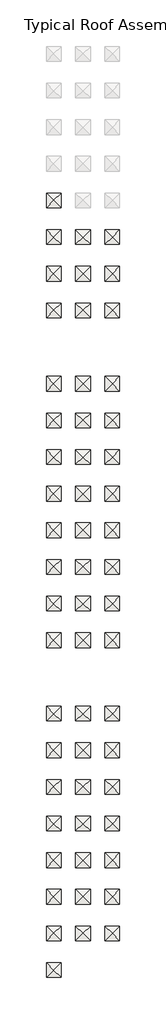
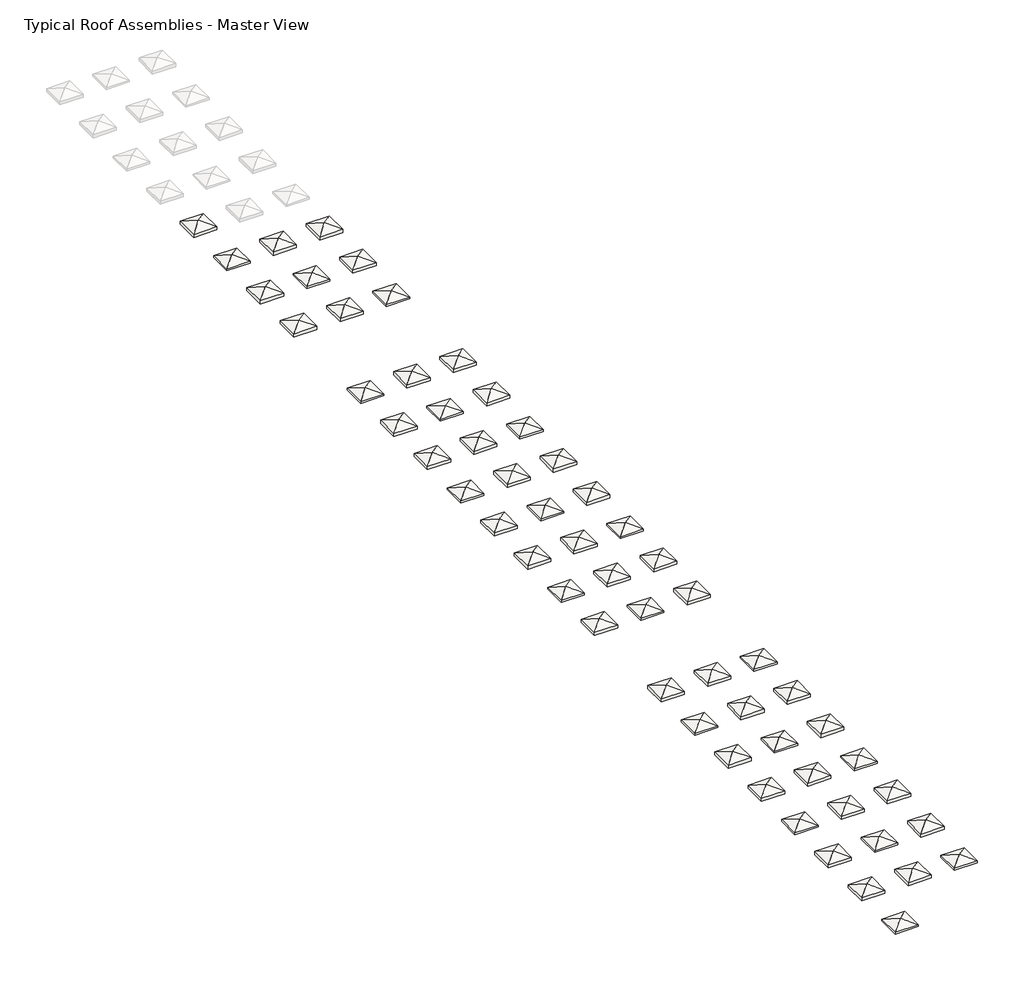
# One storey, part 1 of 6: 56 roofs.
"""IFC4 building model written with IfcOpenShell, lengths in millimetres."""

from ifc_helpers import new_model, si_unit, origin, place, context, project, spatial, faceted_brep, element, save

model = new_model("IFC4")

# Units and contexts
model_context = context("Model", 3, world=origin())
ifc_project = project(units=[si_unit("LENGTHUNIT", "METRE", prefix="MILLI")], contexts=[model_context])

# Site, building, storey
site = spatial("IfcSite", under=ifc_project)
building = spatial("IfcBuilding", under=site)
storey = spatial("IfcBuildingStorey", under=building, Name="Typical Roof Assemblies - Master View", Elevation=3048.0)

# Roofs
placement = place(None, origin())
element("IfcRoof", 1, at=placement, inside=storey, context=model_context, shape_type="Brep", body=[
    faceted_brep([(-18002.7271293, -91644.4766531, 3556.0), (-16478.7271293, -90120.4766531, 3048.0), (-16478.7271293, -93168.4766531, 3048.0), (-19526.7271293, -90120.4766531, 3048.0), (-19526.7271293, -93168.4766531, 3048.0), (-16478.7271293, -90120.4766531, 3479.7299585), (-18002.7271293, -91644.4766531, 3987.7299585), (-16478.7271293, -93168.4766531, 3479.7299585), (-19526.7271293, -90120.4766531, 3479.7299585), (-19526.7271293, -93168.4766531, 3479.7299585)], [[[0, 1, 2]], [[3, 0, 4]], [[1, 0, 3]], [[4, 0, 2]], [[5, 6, 7]], [[8, 9, 6]], [[5, 8, 6]], [[9, 7, 6]], [[3, 8, 5, 1]], [[4, 9, 8, 3]], [[2, 7, 9, 4]], [[1, 5, 7, 2]]]),
])
element("IfcRoof", 2, at=placement, inside=storey, context=model_context, shape_type="Brep", body=[
    faceted_brep([(-18002.7271293, -99264.4766531, 3556.0), (-16478.7271293, -97740.4766531, 3048.0), (-16478.7271293, -100788.4766531, 3048.0), (-19526.7271293, -97740.4766531, 3048.0), (-19526.7271293, -100788.4766531, 3048.0), (-16478.7271293, -97740.4766531, 3304.0928432), (-18002.7271293, -99264.4766531, 3812.0928432), (-16478.7271293, -100788.4766531, 3304.0928432), (-19526.7271293, -97740.4766531, 3304.0928432), (-19526.7271293, -100788.4766531, 3304.0928432)], [[[0, 1, 2]], [[3, 0, 4]], [[1, 0, 3]], [[4, 0, 2]], [[5, 6, 7]], [[8, 9, 6]], [[5, 8, 6]], [[9, 7, 6]], [[3, 8, 5, 1]], [[4, 9, 8, 3]], [[2, 7, 9, 4]], [[1, 5, 7, 2]]]),
])
element("IfcRoof", 3, at=placement, inside=storey, context=model_context, shape_type="Brep", body=[
    faceted_brep([(-11906.7271293, -99264.4766531, 3556.0), (-10382.7271293, -97740.4766531, 3048.0), (-10382.7271293, -100788.4766531, 3048.0), (-13430.7271293, -97740.4766531, 3048.0), (-13430.7271293, -100788.4766531, 3048.0), (-10382.7271293, -97740.4766531, 3479.7299585), (-11906.7271293, -99264.4766531, 3987.7299585), (-10382.7271293, -100788.4766531, 3479.7299585), (-13430.7271293, -97740.4766531, 3479.7299585), (-13430.7271293, -100788.4766531, 3479.7299585)], [[[0, 1, 2]], [[3, 0, 4]], [[1, 0, 3]], [[4, 0, 2]], [[5, 6, 7]], [[8, 9, 6]], [[5, 8, 6]], [[9, 7, 6]], [[3, 8, 5, 1]], [[4, 9, 8, 3]], [[2, 7, 9, 4]], [[1, 5, 7, 2]]]),
])
element("IfcRoof", 4, at=placement, inside=storey, context=model_context, shape_type="Brep", body=[
    faceted_brep([(-5810.7271293, -99264.4766531, 3556.0), (-4286.7271293, -97740.4766531, 3048.0), (-4286.7271293, -100788.4766531, 3048.0), (-7334.7271293, -97740.4766531, 3048.0), (-7334.7271293, -100788.4766531, 3048.0), (-4286.7271293, -97740.4766531, 3476.3832082), (-5810.7271293, -99264.4766531, 3984.3832082), (-4286.7271293, -100788.4766531, 3476.3832082), (-7334.7271293, -97740.4766531, 3476.3832082), (-7334.7271293, -100788.4766531, 3476.3832082)], [[[0, 1, 2]], [[3, 0, 4]], [[1, 0, 3]], [[4, 0, 2]], [[5, 6, 7]], [[8, 9, 6]], [[5, 8, 6]], [[9, 7, 6]], [[3, 8, 5, 1]], [[4, 9, 8, 3]], [[2, 7, 9, 4]], [[1, 5, 7, 2]]]),
])
element("IfcRoof", 5, at=placement, inside=storey, context=model_context, shape_type="Brep", body=[
    faceted_brep([(-18002.7271293, -106884.4766531, 3556.0), (-16478.7271293, -105360.4766531, 3048.0), (-16478.7271293, -108408.4766531, 3048.0), (-19526.7271293, -105360.4766531, 3048.0), (-19526.7271293, -108408.4766531, 3048.0), (-16478.7271293, -105360.4766531, 3474.7767703), (-18002.7271293, -106884.4766531, 3982.7767703), (-16478.7271293, -108408.4766531, 3474.7767703), (-19526.7271293, -105360.4766531, 3474.7767703), (-19526.7271293, -108408.4766531, 3474.7767703)], [[[0, 1, 2]], [[3, 0, 4]], [[1, 0, 3]], [[4, 0, 2]], [[5, 6, 7]], [[8, 9, 6]], [[5, 8, 6]], [[9, 7, 6]], [[3, 8, 5, 1]], [[4, 9, 8, 3]], [[2, 7, 9, 4]], [[1, 5, 7, 2]]]),
])
element("IfcRoof", 6, at=placement, inside=storey, context=model_context, shape_type="Brep", body=[
    faceted_brep([(-11906.7271293, -106884.4766531, 3556.0), (-10382.7271293, -105360.4766531, 3048.0), (-10382.7271293, -108408.4766531, 3048.0), (-13430.7271293, -105360.4766531, 3048.0), (-13430.7271293, -108408.4766531, 3048.0), (-10382.7271293, -105360.4766531, 3304.0928432), (-11906.7271293, -106884.4766531, 3812.0928432), (-10382.7271293, -108408.4766531, 3304.0928432), (-13430.7271293, -105360.4766531, 3304.0928432), (-13430.7271293, -108408.4766531, 3304.0928432)], [[[0, 1, 2]], [[3, 0, 4]], [[1, 0, 3]], [[4, 0, 2]], [[5, 6, 7]], [[8, 9, 6]], [[5, 8, 6]], [[9, 7, 6]], [[3, 8, 5, 1]], [[4, 9, 8, 3]], [[2, 7, 9, 4]], [[1, 5, 7, 2]]]),
])
element("IfcRoof", 7, at=placement, inside=storey, context=model_context, shape_type="Brep", body=[
    faceted_brep([(-5810.7271293, -106884.4766531, 3556.0), (-4286.7271293, -105360.4766531, 3048.0), (-4286.7271293, -108408.4766531, 3048.0), (-7334.7271293, -105360.4766531, 3048.0), (-7334.7271293, -108408.4766531, 3048.0), (-4286.7271293, -105360.4766531, 3479.7299585), (-5810.7271293, -106884.4766531, 3987.7299585), (-4286.7271293, -108408.4766531, 3479.7299585), (-7334.7271293, -105360.4766531, 3479.7299585), (-7334.7271293, -108408.4766531, 3479.7299585)], [[[0, 1, 2]], [[3, 0, 4]], [[1, 0, 3]], [[4, 0, 2]], [[5, 6, 7]], [[8, 9, 6]], [[5, 8, 6]], [[9, 7, 6]], [[3, 8, 5, 1]], [[4, 9, 8, 3]], [[2, 7, 9, 4]], [[1, 5, 7, 2]]]),
])
element("IfcRoof", 8, at=placement, inside=storey, context=model_context, shape_type="Brep", body=[
    faceted_brep([(-18002.7271293, -114504.4766531, 3556.0), (-16478.7271293, -112980.4766531, 3048.0), (-16478.7271293, -116028.4766531, 3048.0), (-19526.7271293, -112980.4766531, 3048.0), (-19526.7271293, -116028.4766531, 3048.0), (-16478.7271293, -112980.4766531, 3478.1235205), (-18002.7271293, -114504.4766531, 3986.1235205), (-16478.7271293, -116028.4766531, 3478.1235205), (-19526.7271293, -112980.4766531, 3478.1235205), (-19526.7271293, -116028.4766531, 3478.1235205)], [[[0, 1, 2]], [[3, 0, 4]], [[1, 0, 3]], [[4, 0, 2]], [[5, 6, 7]], [[8, 9, 6]], [[5, 8, 6]], [[9, 7, 6]], [[3, 8, 5, 1]], [[4, 9, 8, 3]], [[2, 7, 9, 4]], [[1, 5, 7, 2]]]),
])
element("IfcRoof", 9, at=placement, inside=storey, context=model_context, shape_type="Brep", body=[
    faceted_brep([(-11906.7271293, -114504.4766531, 3556.0), (-10382.7271293, -112980.4766531, 3048.0), (-10382.7271293, -116028.4766531, 3048.0), (-13430.7271293, -112980.4766531, 3048.0), (-13430.7271293, -116028.4766531, 3048.0), (-10382.7271293, -112980.4766531, 3474.7767703), (-11906.7271293, -114504.4766531, 3982.7767703), (-10382.7271293, -116028.4766531, 3474.7767703), (-13430.7271293, -112980.4766531, 3474.7767703), (-13430.7271293, -116028.4766531, 3474.7767703)], [[[0, 1, 2]], [[3, 0, 4]], [[1, 0, 3]], [[4, 0, 2]], [[5, 6, 7]], [[8, 9, 6]], [[5, 8, 6]], [[9, 7, 6]], [[3, 8, 5, 1]], [[4, 9, 8, 3]], [[2, 7, 9, 4]], [[1, 5, 7, 2]]]),
])
element("IfcRoof", 10, at=placement, inside=storey, context=model_context, shape_type="Brep", body=[
    faceted_brep([(-5810.7271293, -114504.4766531, 3556.0), (-4286.7271293, -112980.4766531, 3048.0), (-4286.7271293, -116028.4766531, 3048.0), (-7334.7271293, -112980.4766531, 3048.0), (-7334.7271293, -116028.4766531, 3048.0), (-4286.7271293, -112980.4766531, 3304.0928432), (-5810.7271293, -114504.4766531, 3812.0928432), (-4286.7271293, -116028.4766531, 3304.0928432), (-7334.7271293, -112980.4766531, 3304.0928432), (-7334.7271293, -116028.4766531, 3304.0928432)], [[[0, 1, 2]], [[3, 0, 4]], [[1, 0, 3]], [[4, 0, 2]], [[5, 6, 7]], [[8, 9, 6]], [[5, 8, 6]], [[9, 7, 6]], [[3, 8, 5, 1]], [[4, 9, 8, 3]], [[2, 7, 9, 4]], [[1, 5, 7, 2]]]),
])
element("IfcRoof", 11, at=placement, inside=storey, context=model_context, shape_type="Brep", body=[
    faceted_brep([(-18002.7271293, -129744.4766531, 3556.0), (-16478.7271293, -128220.4766531, 3048.0), (-16478.7271293, -131268.4766531, 3048.0), (-19526.7271293, -128220.4766531, 3048.0), (-19526.7271293, -131268.4766531, 3048.0), (-16478.7271293, -128220.4766531, 3304.0928432), (-18002.7271293, -129744.4766531, 3812.0928432), (-16478.7271293, -131268.4766531, 3304.0928432), (-19526.7271293, -128220.4766531, 3304.0928432), (-19526.7271293, -131268.4766531, 3304.0928432)], [[[0, 1, 2]], [[3, 0, 4]], [[1, 0, 3]], [[4, 0, 2]], [[5, 6, 7]], [[8, 9, 6]], [[5, 8, 6]], [[9, 7, 6]], [[3, 8, 5, 1]], [[4, 9, 8, 3]], [[2, 7, 9, 4]], [[1, 5, 7, 2]]]),
])
element("IfcRoof", 12, at=placement, inside=storey, context=model_context, shape_type="Brep", body=[
    faceted_brep([(-11906.7271293, -129744.4766531, 3556.0), (-10382.7271293, -128220.4766531, 3048.0), (-10382.7271293, -131268.4766531, 3048.0), (-13430.7271293, -128220.4766531, 3048.0), (-13430.7271293, -131268.4766531, 3048.0), (-10382.7271293, -128220.4766531, 3478.1235205), (-11906.7271293, -129744.4766531, 3986.1235205), (-10382.7271293, -131268.4766531, 3478.1235205), (-13430.7271293, -128220.4766531, 3478.1235205), (-13430.7271293, -131268.4766531, 3478.1235205)], [[[0, 1, 2]], [[3, 0, 4]], [[1, 0, 3]], [[4, 0, 2]], [[5, 6, 7]], [[8, 9, 6]], [[5, 8, 6]], [[9, 7, 6]], [[3, 8, 5, 1]], [[4, 9, 8, 3]], [[2, 7, 9, 4]], [[1, 5, 7, 2]]]),
])
element("IfcRoof", 13, at=placement, inside=storey, context=model_context, shape_type="Brep", body=[
    faceted_brep([(-5810.7271293, -129744.4766531, 3556.0), (-4286.7271293, -128220.4766531, 3048.0), (-4286.7271293, -131268.4766531, 3048.0), (-7334.7271293, -128220.4766531, 3048.0), (-7334.7271293, -131268.4766531, 3048.0), (-4286.7271293, -128220.4766531, 3474.7767703), (-5810.7271293, -129744.4766531, 3982.7767703), (-4286.7271293, -131268.4766531, 3474.7767703), (-7334.7271293, -128220.4766531, 3474.7767703), (-7334.7271293, -131268.4766531, 3474.7767703)], [[[0, 1, 2]], [[3, 0, 4]], [[1, 0, 3]], [[4, 0, 2]], [[5, 6, 7]], [[8, 9, 6]], [[5, 8, 6]], [[9, 7, 6]], [[3, 8, 5, 1]], [[4, 9, 8, 3]], [[2, 7, 9, 4]], [[1, 5, 7, 2]]]),
])
element("IfcRoof", 14, at=placement, inside=storey, context=model_context, shape_type="Brep", body=[
    faceted_brep([(-18002.7271293, -137364.4766531, 3556.0), (-16478.7271293, -135840.4766531, 3048.0), (-16478.7271293, -138888.4766531, 3048.0), (-19526.7271293, -135840.4766531, 3048.0), (-19526.7271293, -138888.4766531, 3048.0), (-16478.7271293, -135840.4766531, 3476.3832082), (-18002.7271293, -137364.4766531, 3984.3832082), (-16478.7271293, -138888.4766531, 3476.3832082), (-19526.7271293, -135840.4766531, 3476.3832082), (-19526.7271293, -138888.4766531, 3476.3832082)], [[[0, 1, 2]], [[3, 0, 4]], [[1, 0, 3]], [[4, 0, 2]], [[5, 6, 7]], [[8, 9, 6]], [[5, 8, 6]], [[9, 7, 6]], [[3, 8, 5, 1]], [[4, 9, 8, 3]], [[2, 7, 9, 4]], [[1, 5, 7, 2]]]),
])
element("IfcRoof", 15, at=placement, inside=storey, context=model_context, shape_type="Brep", body=[
    faceted_brep([(-11906.7271293, -137364.4766531, 3556.0), (-10382.7271293, -135840.4766531, 3048.0), (-10382.7271293, -138888.4766531, 3048.0), (-13430.7271293, -135840.4766531, 3048.0), (-13430.7271293, -138888.4766531, 3048.0), (-10382.7271293, -135840.4766531, 3304.0928432), (-11906.7271293, -137364.4766531, 3812.0928432), (-10382.7271293, -138888.4766531, 3304.0928432), (-13430.7271293, -135840.4766531, 3304.0928432), (-13430.7271293, -138888.4766531, 3304.0928432)], [[[0, 1, 2]], [[3, 0, 4]], [[1, 0, 3]], [[4, 0, 2]], [[5, 6, 7]], [[8, 9, 6]], [[5, 8, 6]], [[9, 7, 6]], [[3, 8, 5, 1]], [[4, 9, 8, 3]], [[2, 7, 9, 4]], [[1, 5, 7, 2]]]),
])
element("IfcRoof", 16, at=placement, inside=storey, context=model_context, shape_type="Brep", body=[
    faceted_brep([(-5810.7271293, -137364.4766531, 3556.0), (-4286.7271293, -135840.4766531, 3048.0), (-4286.7271293, -138888.4766531, 3048.0), (-7334.7271293, -135840.4766531, 3048.0), (-7334.7271293, -138888.4766531, 3048.0), (-4286.7271293, -135840.4766531, 3478.1235205), (-5810.7271293, -137364.4766531, 3986.1235205), (-4286.7271293, -138888.4766531, 3478.1235205), (-7334.7271293, -135840.4766531, 3478.1235205), (-7334.7271293, -138888.4766531, 3478.1235205)], [[[0, 1, 2]], [[3, 0, 4]], [[1, 0, 3]], [[4, 0, 2]], [[5, 6, 7]], [[8, 9, 6]], [[5, 8, 6]], [[9, 7, 6]], [[3, 8, 5, 1]], [[4, 9, 8, 3]], [[2, 7, 9, 4]], [[1, 5, 7, 2]]]),
])
element("IfcRoof", 17, at=placement, inside=storey, context=model_context, shape_type="Brep", body=[
    faceted_brep([(-18002.7271293, -144984.4766531, 3556.0), (-16478.7271293, -143460.4766531, 3048.0), (-16478.7271293, -146508.4766531, 3048.0), (-19526.7271293, -143460.4766531, 3048.0), (-19526.7271293, -146508.4766531, 3048.0), (-16478.7271293, -143460.4766531, 3479.7299585), (-18002.7271293, -144984.4766531, 3987.7299585), (-16478.7271293, -146508.4766531, 3479.7299585), (-19526.7271293, -143460.4766531, 3479.7299585), (-19526.7271293, -146508.4766531, 3479.7299585)], [[[0, 1, 2]], [[3, 0, 4]], [[1, 0, 3]], [[4, 0, 2]], [[5, 6, 7]], [[8, 9, 6]], [[5, 8, 6]], [[9, 7, 6]], [[3, 8, 5, 1]], [[4, 9, 8, 3]], [[2, 7, 9, 4]], [[1, 5, 7, 2]]]),
])
element("IfcRoof", 18, at=placement, inside=storey, context=model_context, shape_type="Brep", body=[
    faceted_brep([(-11906.7271293, -144984.4766531, 3556.0), (-10382.7271293, -143460.4766531, 3048.0), (-10382.7271293, -146508.4766531, 3048.0), (-13430.7271293, -143460.4766531, 3048.0), (-13430.7271293, -146508.4766531, 3048.0), (-10382.7271293, -143460.4766531, 3476.3832082), (-11906.7271293, -144984.4766531, 3984.3832082), (-10382.7271293, -146508.4766531, 3476.3832082), (-13430.7271293, -143460.4766531, 3476.3832082), (-13430.7271293, -146508.4766531, 3476.3832082)], [[[0, 1, 2]], [[3, 0, 4]], [[1, 0, 3]], [[4, 0, 2]], [[5, 6, 7]], [[8, 9, 6]], [[5, 8, 6]], [[9, 7, 6]], [[3, 8, 5, 1]], [[4, 9, 8, 3]], [[2, 7, 9, 4]], [[1, 5, 7, 2]]]),
])
element("IfcRoof", 19, at=placement, inside=storey, context=model_context, shape_type="Brep", body=[
    faceted_brep([(-5810.7271293, -144984.4766531, 3556.0), (-4286.7271293, -143460.4766531, 3048.0), (-4286.7271293, -146508.4766531, 3048.0), (-7334.7271293, -143460.4766531, 3048.0), (-7334.7271293, -146508.4766531, 3048.0), (-4286.7271293, -143460.4766531, 3304.0928432), (-5810.7271293, -144984.4766531, 3812.0928432), (-4286.7271293, -146508.4766531, 3304.0928432), (-7334.7271293, -143460.4766531, 3304.0928432), (-7334.7271293, -146508.4766531, 3304.0928432)], [[[0, 1, 2]], [[3, 0, 4]], [[1, 0, 3]], [[4, 0, 2]], [[5, 6, 7]], [[8, 9, 6]], [[5, 8, 6]], [[9, 7, 6]], [[3, 8, 5, 1]], [[4, 9, 8, 3]], [[2, 7, 9, 4]], [[1, 5, 7, 2]]]),
])
element("IfcRoof", 20, at=placement, inside=storey, context=model_context, shape_type="Brep", body=[
    faceted_brep([(-18002.7271293, -152604.4766531, 3556.0), (-16478.7271293, -151080.4766531, 3048.0), (-16478.7271293, -154128.4766531, 3048.0), (-19526.7271293, -151080.4766531, 3048.0), (-19526.7271293, -154128.4766531, 3048.0), (-16478.7271293, -151080.4766531, 3304.0928432), (-18002.7271293, -152604.4766531, 3812.0928432), (-16478.7271293, -154128.4766531, 3304.0928432), (-19526.7271293, -151080.4766531, 3304.0928432), (-19526.7271293, -154128.4766531, 3304.0928432)], [[[0, 1, 2]], [[3, 0, 4]], [[1, 0, 3]], [[4, 0, 2]], [[5, 6, 7]], [[8, 9, 6]], [[5, 8, 6]], [[9, 7, 6]], [[3, 8, 5, 1]], [[4, 9, 8, 3]], [[2, 7, 9, 4]], [[1, 5, 7, 2]]]),
])
element("IfcRoof", 21, at=placement, inside=storey, context=model_context, shape_type="Brep", body=[
    faceted_brep([(-11906.7271293, -152604.4766531, 3556.0), (-10382.7271293, -151080.4766531, 3048.0), (-10382.7271293, -154128.4766531, 3048.0), (-13430.7271293, -151080.4766531, 3048.0), (-13430.7271293, -154128.4766531, 3048.0), (-10382.7271293, -151080.4766531, 3479.7299585), (-11906.7271293, -152604.4766531, 3987.7299585), (-10382.7271293, -154128.4766531, 3479.7299585), (-13430.7271293, -151080.4766531, 3479.7299585), (-13430.7271293, -154128.4766531, 3479.7299585)], [[[0, 1, 2]], [[3, 0, 4]], [[1, 0, 3]], [[4, 0, 2]], [[5, 6, 7]], [[8, 9, 6]], [[5, 8, 6]], [[9, 7, 6]], [[3, 8, 5, 1]], [[4, 9, 8, 3]], [[2, 7, 9, 4]], [[1, 5, 7, 2]]]),
])
element("IfcRoof", 22, at=placement, inside=storey, context=model_context, shape_type="Brep", body=[
    faceted_brep([(-5810.7271293, -152604.4766531, 3556.0), (-4286.7271293, -151080.4766531, 3048.0), (-4286.7271293, -154128.4766531, 3048.0), (-7334.7271293, -151080.4766531, 3048.0), (-7334.7271293, -154128.4766531, 3048.0), (-4286.7271293, -151080.4766531, 3476.3832082), (-5810.7271293, -152604.4766531, 3984.3832082), (-4286.7271293, -154128.4766531, 3476.3832082), (-7334.7271293, -151080.4766531, 3476.3832082), (-7334.7271293, -154128.4766531, 3476.3832082)], [[[0, 1, 2]], [[3, 0, 4]], [[1, 0, 3]], [[4, 0, 2]], [[5, 6, 7]], [[8, 9, 6]], [[5, 8, 6]], [[9, 7, 6]], [[3, 8, 5, 1]], [[4, 9, 8, 3]], [[2, 7, 9, 4]], [[1, 5, 7, 2]]]),
])
element("IfcRoof", 23, at=placement, inside=storey, context=model_context, shape_type="Brep", body=[
    faceted_brep([(-18002.7271293, -160224.4766531, 3556.0), (-16478.7271293, -158700.4766531, 3048.0), (-16478.7271293, -161748.4766531, 3048.0), (-19526.7271293, -158700.4766531, 3048.0), (-19526.7271293, -161748.4766531, 3048.0), (-16478.7271293, -158700.4766531, 3474.7767703), (-18002.7271293, -160224.4766531, 3982.7767703), (-16478.7271293, -161748.4766531, 3474.7767703), (-19526.7271293, -158700.4766531, 3474.7767703), (-19526.7271293, -161748.4766531, 3474.7767703)], [[[0, 1, 2]], [[3, 0, 4]], [[1, 0, 3]], [[4, 0, 2]], [[5, 6, 7]], [[8, 9, 6]], [[5, 8, 6]], [[9, 7, 6]], [[3, 8, 5, 1]], [[4, 9, 8, 3]], [[2, 7, 9, 4]], [[1, 5, 7, 2]]]),
])
element("IfcRoof", 24, at=placement, inside=storey, context=model_context, shape_type="Brep", body=[
    faceted_brep([(-11906.7271293, -160224.4766531, 3556.0), (-10382.7271293, -158700.4766531, 3048.0), (-10382.7271293, -161748.4766531, 3048.0), (-13430.7271293, -158700.4766531, 3048.0), (-13430.7271293, -161748.4766531, 3048.0), (-10382.7271293, -158700.4766531, 3304.0928432), (-11906.7271293, -160224.4766531, 3812.0928432), (-10382.7271293, -161748.4766531, 3304.0928432), (-13430.7271293, -158700.4766531, 3304.0928432), (-13430.7271293, -161748.4766531, 3304.0928432)], [[[0, 1, 2]], [[3, 0, 4]], [[1, 0, 3]], [[4, 0, 2]], [[5, 6, 7]], [[8, 9, 6]], [[5, 8, 6]], [[9, 7, 6]], [[3, 8, 5, 1]], [[4, 9, 8, 3]], [[2, 7, 9, 4]], [[1, 5, 7, 2]]]),
])
element("IfcRoof", 25, at=placement, inside=storey, context=model_context, shape_type="Brep", body=[
    faceted_brep([(-5810.7271293, -160224.4766531, 3556.0), (-4286.7271293, -158700.4766531, 3048.0), (-4286.7271293, -161748.4766531, 3048.0), (-7334.7271293, -158700.4766531, 3048.0), (-7334.7271293, -161748.4766531, 3048.0), (-4286.7271293, -158700.4766531, 3479.7299585), (-5810.7271293, -160224.4766531, 3987.7299585), (-4286.7271293, -161748.4766531, 3479.7299585), (-7334.7271293, -158700.4766531, 3479.7299585), (-7334.7271293, -161748.4766531, 3479.7299585)], [[[0, 1, 2]], [[3, 0, 4]], [[1, 0, 3]], [[4, 0, 2]], [[5, 6, 7]], [[8, 9, 6]], [[5, 8, 6]], [[9, 7, 6]], [[3, 8, 5, 1]], [[4, 9, 8, 3]], [[2, 7, 9, 4]], [[1, 5, 7, 2]]]),
])
element("IfcRoof", 26, at=placement, inside=storey, context=model_context, shape_type="Brep", body=[
    faceted_brep([(-18002.7271293, -167844.4766531, 3556.0), (-16478.7271293, -166320.4766531, 3048.0), (-16478.7271293, -169368.4766531, 3048.0), (-19526.7271293, -166320.4766531, 3048.0), (-19526.7271293, -169368.4766531, 3048.0), (-16478.7271293, -166320.4766531, 3478.1235205), (-18002.7271293, -167844.4766531, 3986.1235205), (-16478.7271293, -169368.4766531, 3478.1235205), (-19526.7271293, -166320.4766531, 3478.1235205), (-19526.7271293, -169368.4766531, 3478.1235205)], [[[0, 1, 2]], [[3, 0, 4]], [[1, 0, 3]], [[4, 0, 2]], [[5, 6, 7]], [[8, 9, 6]], [[5, 8, 6]], [[9, 7, 6]], [[3, 8, 5, 1]], [[4, 9, 8, 3]], [[2, 7, 9, 4]], [[1, 5, 7, 2]]]),
])
element("IfcRoof", 27, at=placement, inside=storey, context=model_context, shape_type="Brep", body=[
    faceted_brep([(-11906.7271293, -167844.4766531, 3556.0), (-10382.7271293, -166320.4766531, 3048.0), (-10382.7271293, -169368.4766531, 3048.0), (-13430.7271293, -166320.4766531, 3048.0), (-13430.7271293, -169368.4766531, 3048.0), (-10382.7271293, -166320.4766531, 3474.7767703), (-11906.7271293, -167844.4766531, 3982.7767703), (-10382.7271293, -169368.4766531, 3474.7767703), (-13430.7271293, -166320.4766531, 3474.7767703), (-13430.7271293, -169368.4766531, 3474.7767703)], [[[0, 1, 2]], [[3, 0, 4]], [[1, 0, 3]], [[4, 0, 2]], [[5, 6, 7]], [[8, 9, 6]], [[5, 8, 6]], [[9, 7, 6]], [[3, 8, 5, 1]], [[4, 9, 8, 3]], [[2, 7, 9, 4]], [[1, 5, 7, 2]]]),
])
element("IfcRoof", 28, at=placement, inside=storey, context=model_context, shape_type="Brep", body=[
    faceted_brep([(-5810.7271293, -167844.4766531, 3556.0), (-4286.7271293, -166320.4766531, 3048.0), (-4286.7271293, -169368.4766531, 3048.0), (-7334.7271293, -166320.4766531, 3048.0), (-7334.7271293, -169368.4766531, 3048.0), (-4286.7271293, -166320.4766531, 3304.0928432), (-5810.7271293, -167844.4766531, 3812.0928432), (-4286.7271293, -169368.4766531, 3304.0928432), (-7334.7271293, -166320.4766531, 3304.0928432), (-7334.7271293, -169368.4766531, 3304.0928432)], [[[0, 1, 2]], [[3, 0, 4]], [[1, 0, 3]], [[4, 0, 2]], [[5, 6, 7]], [[8, 9, 6]], [[5, 8, 6]], [[9, 7, 6]], [[3, 8, 5, 1]], [[4, 9, 8, 3]], [[2, 7, 9, 4]], [[1, 5, 7, 2]]]),
])
element("IfcRoof", 29, at=placement, inside=storey, context=model_context, shape_type="Brep", body=[
    faceted_brep([(-18002.7271293, -175464.4766531, 3556.0), (-16478.7271293, -173940.4766531, 3048.0), (-16478.7271293, -176988.4766531, 3048.0), (-19526.7271293, -173940.4766531, 3048.0), (-19526.7271293, -176988.4766531, 3048.0), (-16478.7271293, -173940.4766531, 3304.0928432), (-18002.7271293, -175464.4766531, 3812.0928432), (-16478.7271293, -176988.4766531, 3304.0928432), (-19526.7271293, -173940.4766531, 3304.0928432), (-19526.7271293, -176988.4766531, 3304.0928432)], [[[0, 1, 2]], [[3, 0, 4]], [[1, 0, 3]], [[4, 0, 2]], [[5, 6, 7]], [[8, 9, 6]], [[5, 8, 6]], [[9, 7, 6]], [[3, 8, 5, 1]], [[4, 9, 8, 3]], [[2, 7, 9, 4]], [[1, 5, 7, 2]]]),
])
element("IfcRoof", 30, at=placement, inside=storey, context=model_context, shape_type="Brep", body=[
    faceted_brep([(-11906.7271293, -175464.4766531, 3556.0), (-10382.7271293, -173940.4766531, 3048.0), (-10382.7271293, -176988.4766531, 3048.0), (-13430.7271293, -173940.4766531, 3048.0), (-13430.7271293, -176988.4766531, 3048.0), (-10382.7271293, -173940.4766531, 3478.1235205), (-11906.7271293, -175464.4766531, 3986.1235205), (-10382.7271293, -176988.4766531, 3478.1235205), (-13430.7271293, -173940.4766531, 3478.1235205), (-13430.7271293, -176988.4766531, 3478.1235205)], [[[0, 1, 2]], [[3, 0, 4]], [[1, 0, 3]], [[4, 0, 2]], [[5, 6, 7]], [[8, 9, 6]], [[5, 8, 6]], [[9, 7, 6]], [[3, 8, 5, 1]], [[4, 9, 8, 3]], [[2, 7, 9, 4]], [[1, 5, 7, 2]]]),
])
element("IfcRoof", 31, at=placement, inside=storey, context=model_context, shape_type="Brep", body=[
    faceted_brep([(-5810.7271293, -175464.4766531, 3556.0), (-4286.7271293, -173940.4766531, 3048.0), (-4286.7271293, -176988.4766531, 3048.0), (-7334.7271293, -173940.4766531, 3048.0), (-7334.7271293, -176988.4766531, 3048.0), (-4286.7271293, -173940.4766531, 3474.7767703), (-5810.7271293, -175464.4766531, 3982.7767703), (-4286.7271293, -176988.4766531, 3474.7767703), (-7334.7271293, -173940.4766531, 3474.7767703), (-7334.7271293, -176988.4766531, 3474.7767703)], [[[0, 1, 2]], [[3, 0, 4]], [[1, 0, 3]], [[4, 0, 2]], [[5, 6, 7]], [[8, 9, 6]], [[5, 8, 6]], [[9, 7, 6]], [[3, 8, 5, 1]], [[4, 9, 8, 3]], [[2, 7, 9, 4]], [[1, 5, 7, 2]]]),
])
element("IfcRoof", 32, at=placement, inside=storey, context=model_context, shape_type="Brep", body=[
    faceted_brep([(-18002.7271293, -183084.4766531, 3556.0), (-16478.7271293, -181560.4766531, 3048.0), (-16478.7271293, -184608.4766531, 3048.0), (-19526.7271293, -181560.4766531, 3048.0), (-19526.7271293, -184608.4766531, 3048.0), (-16478.7271293, -181560.4766531, 3476.3832082), (-18002.7271293, -183084.4766531, 3984.3832082), (-16478.7271293, -184608.4766531, 3476.3832082), (-19526.7271293, -181560.4766531, 3476.3832082), (-19526.7271293, -184608.4766531, 3476.3832082)], [[[0, 1, 2]], [[3, 0, 4]], [[1, 0, 3]], [[4, 0, 2]], [[5, 6, 7]], [[8, 9, 6]], [[5, 8, 6]], [[9, 7, 6]], [[3, 8, 5, 1]], [[4, 9, 8, 3]], [[2, 7, 9, 4]], [[1, 5, 7, 2]]]),
])
element("IfcRoof", 33, at=placement, inside=storey, context=model_context, shape_type="Brep", body=[
    faceted_brep([(-11906.7271293, -183084.4766531, 3556.0), (-10382.7271293, -181560.4766531, 3048.0), (-10382.7271293, -184608.4766531, 3048.0), (-13430.7271293, -181560.4766531, 3048.0), (-13430.7271293, -184608.4766531, 3048.0), (-10382.7271293, -181560.4766531, 3304.0928432), (-11906.7271293, -183084.4766531, 3812.0928432), (-10382.7271293, -184608.4766531, 3304.0928432), (-13430.7271293, -181560.4766531, 3304.0928432), (-13430.7271293, -184608.4766531, 3304.0928432)], [[[0, 1, 2]], [[3, 0, 4]], [[1, 0, 3]], [[4, 0, 2]], [[5, 6, 7]], [[8, 9, 6]], [[5, 8, 6]], [[9, 7, 6]], [[3, 8, 5, 1]], [[4, 9, 8, 3]], [[2, 7, 9, 4]], [[1, 5, 7, 2]]]),
])
element("IfcRoof", 34, at=placement, inside=storey, context=model_context, shape_type="Brep", body=[
    faceted_brep([(-5810.7271293, -183084.4766531, 3556.0), (-4286.7271293, -181560.4766531, 3048.0), (-4286.7271293, -184608.4766531, 3048.0), (-7334.7271293, -181560.4766531, 3048.0), (-7334.7271293, -184608.4766531, 3048.0), (-4286.7271293, -181560.4766531, 3478.1235205), (-5810.7271293, -183084.4766531, 3986.1235205), (-4286.7271293, -184608.4766531, 3478.1235205), (-7334.7271293, -181560.4766531, 3478.1235205), (-7334.7271293, -184608.4766531, 3478.1235205)], [[[0, 1, 2]], [[3, 0, 4]], [[1, 0, 3]], [[4, 0, 2]], [[5, 6, 7]], [[8, 9, 6]], [[5, 8, 6]], [[9, 7, 6]], [[3, 8, 5, 1]], [[4, 9, 8, 3]], [[2, 7, 9, 4]], [[1, 5, 7, 2]]]),
])
element("IfcRoof", 35, at=placement, inside=storey, context=model_context, shape_type="Brep", body=[
    faceted_brep([(-18002.7271293, -198324.4766531, 3556.0), (-16478.7271293, -196800.4766531, 3048.0), (-16478.7271293, -199848.4766531, 3048.0), (-19526.7271293, -196800.4766531, 3048.0), (-19526.7271293, -199848.4766531, 3048.0), (-16478.7271293, -196800.4766531, 3479.7299585), (-18002.7271293, -198324.4766531, 3987.7299585), (-16478.7271293, -199848.4766531, 3479.7299585), (-19526.7271293, -196800.4766531, 3479.7299585), (-19526.7271293, -199848.4766531, 3479.7299585)], [[[0, 1, 2]], [[3, 0, 4]], [[1, 0, 3]], [[4, 0, 2]], [[5, 6, 7]], [[8, 9, 6]], [[5, 8, 6]], [[9, 7, 6]], [[3, 8, 5, 1]], [[4, 9, 8, 3]], [[2, 7, 9, 4]], [[1, 5, 7, 2]]]),
])
element("IfcRoof", 36, at=placement, inside=storey, context=model_context, shape_type="Brep", body=[
    faceted_brep([(-11906.7271293, -198324.4766531, 3556.0), (-10382.7271293, -196800.4766531, 3048.0), (-10382.7271293, -199848.4766531, 3048.0), (-13430.7271293, -196800.4766531, 3048.0), (-13430.7271293, -199848.4766531, 3048.0), (-10382.7271293, -196800.4766531, 3476.3832082), (-11906.7271293, -198324.4766531, 3984.3832082), (-10382.7271293, -199848.4766531, 3476.3832082), (-13430.7271293, -196800.4766531, 3476.3832082), (-13430.7271293, -199848.4766531, 3476.3832082)], [[[0, 1, 2]], [[3, 0, 4]], [[1, 0, 3]], [[4, 0, 2]], [[5, 6, 7]], [[8, 9, 6]], [[5, 8, 6]], [[9, 7, 6]], [[3, 8, 5, 1]], [[4, 9, 8, 3]], [[2, 7, 9, 4]], [[1, 5, 7, 2]]]),
])
element("IfcRoof", 37, at=placement, inside=storey, context=model_context, shape_type="Brep", body=[
    faceted_brep([(-5810.7271293, -198324.4766531, 3556.0), (-4286.7271293, -196800.4766531, 3048.0), (-4286.7271293, -199848.4766531, 3048.0), (-7334.7271293, -196800.4766531, 3048.0), (-7334.7271293, -199848.4766531, 3048.0), (-4286.7271293, -196800.4766531, 3304.0928432), (-5810.7271293, -198324.4766531, 3812.0928432), (-4286.7271293, -199848.4766531, 3304.0928432), (-7334.7271293, -196800.4766531, 3304.0928432), (-7334.7271293, -199848.4766531, 3304.0928432)], [[[0, 1, 2]], [[3, 0, 4]], [[1, 0, 3]], [[4, 0, 2]], [[5, 6, 7]], [[8, 9, 6]], [[5, 8, 6]], [[9, 7, 6]], [[3, 8, 5, 1]], [[4, 9, 8, 3]], [[2, 7, 9, 4]], [[1, 5, 7, 2]]]),
])
element("IfcRoof", 38, at=placement, inside=storey, context=model_context, shape_type="Brep", body=[
    faceted_brep([(-18002.7271293, -205944.4766531, 3556.0), (-16478.7271293, -204420.4766531, 3048.0), (-16478.7271293, -207468.4766531, 3048.0), (-19526.7271293, -204420.4766531, 3048.0), (-19526.7271293, -207468.4766531, 3048.0), (-16478.7271293, -204420.4766531, 3304.0928432), (-18002.7271293, -205944.4766531, 3812.0928432), (-16478.7271293, -207468.4766531, 3304.0928432), (-19526.7271293, -204420.4766531, 3304.0928432), (-19526.7271293, -207468.4766531, 3304.0928432)], [[[0, 1, 2]], [[3, 0, 4]], [[1, 0, 3]], [[4, 0, 2]], [[5, 6, 7]], [[8, 9, 6]], [[5, 8, 6]], [[9, 7, 6]], [[3, 8, 5, 1]], [[4, 9, 8, 3]], [[2, 7, 9, 4]], [[1, 5, 7, 2]]]),
])
element("IfcRoof", 39, at=placement, inside=storey, context=model_context, shape_type="Brep", body=[
    faceted_brep([(-11906.7271293, -205944.4766531, 3556.0), (-10382.7271293, -204420.4766531, 3048.0), (-10382.7271293, -207468.4766531, 3048.0), (-13430.7271293, -204420.4766531, 3048.0), (-13430.7271293, -207468.4766531, 3048.0), (-10382.7271293, -204420.4766531, 3479.7299585), (-11906.7271293, -205944.4766531, 3987.7299585), (-10382.7271293, -207468.4766531, 3479.7299585), (-13430.7271293, -204420.4766531, 3479.7299585), (-13430.7271293, -207468.4766531, 3479.7299585)], [[[0, 1, 2]], [[3, 0, 4]], [[1, 0, 3]], [[4, 0, 2]], [[5, 6, 7]], [[8, 9, 6]], [[5, 8, 6]], [[9, 7, 6]], [[3, 8, 5, 1]], [[4, 9, 8, 3]], [[2, 7, 9, 4]], [[1, 5, 7, 2]]]),
])
element("IfcRoof", 40, at=placement, inside=storey, context=model_context, shape_type="Brep", body=[
    faceted_brep([(-5810.7271293, -205944.4766531, 3556.0), (-4286.7271293, -204420.4766531, 3048.0), (-4286.7271293, -207468.4766531, 3048.0), (-7334.7271293, -204420.4766531, 3048.0), (-7334.7271293, -207468.4766531, 3048.0), (-4286.7271293, -204420.4766531, 3476.3832082), (-5810.7271293, -205944.4766531, 3984.3832082), (-4286.7271293, -207468.4766531, 3476.3832082), (-7334.7271293, -204420.4766531, 3476.3832082), (-7334.7271293, -207468.4766531, 3476.3832082)], [[[0, 1, 2]], [[3, 0, 4]], [[1, 0, 3]], [[4, 0, 2]], [[5, 6, 7]], [[8, 9, 6]], [[5, 8, 6]], [[9, 7, 6]], [[3, 8, 5, 1]], [[4, 9, 8, 3]], [[2, 7, 9, 4]], [[1, 5, 7, 2]]]),
])
element("IfcRoof", 41, at=placement, inside=storey, context=model_context, shape_type="Brep", body=[
    faceted_brep([(-18002.7271293, -213564.4766531, 3556.0), (-16478.7271293, -212040.4766531, 3048.0), (-16478.7271293, -215088.4766531, 3048.0), (-19526.7271293, -212040.4766531, 3048.0), (-19526.7271293, -215088.4766531, 3048.0), (-16478.7271293, -212040.4766531, 3474.7767703), (-18002.7271293, -213564.4766531, 3982.7767703), (-16478.7271293, -215088.4766531, 3474.7767703), (-19526.7271293, -212040.4766531, 3474.7767703), (-19526.7271293, -215088.4766531, 3474.7767703)], [[[0, 1, 2]], [[3, 0, 4]], [[1, 0, 3]], [[4, 0, 2]], [[5, 6, 7]], [[8, 9, 6]], [[5, 8, 6]], [[9, 7, 6]], [[3, 8, 5, 1]], [[4, 9, 8, 3]], [[2, 7, 9, 4]], [[1, 5, 7, 2]]]),
])
element("IfcRoof", 42, at=placement, inside=storey, context=model_context, shape_type="Brep", body=[
    faceted_brep([(-11906.7271293, -213564.4766531, 3556.0), (-10382.7271293, -212040.4766531, 3048.0), (-10382.7271293, -215088.4766531, 3048.0), (-13430.7271293, -212040.4766531, 3048.0), (-13430.7271293, -215088.4766531, 3048.0), (-10382.7271293, -212040.4766531, 3304.0928432), (-11906.7271293, -213564.4766531, 3812.0928432), (-10382.7271293, -215088.4766531, 3304.0928432), (-13430.7271293, -212040.4766531, 3304.0928432), (-13430.7271293, -215088.4766531, 3304.0928432)], [[[0, 1, 2]], [[3, 0, 4]], [[1, 0, 3]], [[4, 0, 2]], [[5, 6, 7]], [[8, 9, 6]], [[5, 8, 6]], [[9, 7, 6]], [[3, 8, 5, 1]], [[4, 9, 8, 3]], [[2, 7, 9, 4]], [[1, 5, 7, 2]]]),
])
element("IfcRoof", 43, at=placement, inside=storey, context=model_context, shape_type="Brep", body=[
    faceted_brep([(-5810.7271293, -213564.4766531, 3556.0), (-4286.7271293, -212040.4766531, 3048.0), (-4286.7271293, -215088.4766531, 3048.0), (-7334.7271293, -212040.4766531, 3048.0), (-7334.7271293, -215088.4766531, 3048.0), (-4286.7271293, -212040.4766531, 3479.7299585), (-5810.7271293, -213564.4766531, 3987.7299585), (-4286.7271293, -215088.4766531, 3479.7299585), (-7334.7271293, -212040.4766531, 3479.7299585), (-7334.7271293, -215088.4766531, 3479.7299585)], [[[0, 1, 2]], [[3, 0, 4]], [[1, 0, 3]], [[4, 0, 2]], [[5, 6, 7]], [[8, 9, 6]], [[5, 8, 6]], [[9, 7, 6]], [[3, 8, 5, 1]], [[4, 9, 8, 3]], [[2, 7, 9, 4]], [[1, 5, 7, 2]]]),
])
element("IfcRoof", 44, at=placement, inside=storey, context=model_context, shape_type="Brep", body=[
    faceted_brep([(-18002.7271293, -221184.4766531, 3556.0), (-16478.7271293, -219660.4766531, 3048.0), (-16478.7271293, -222708.4766531, 3048.0), (-19526.7271293, -219660.4766531, 3048.0), (-19526.7271293, -222708.4766531, 3048.0), (-16478.7271293, -219660.4766531, 3478.1235205), (-18002.7271293, -221184.4766531, 3986.1235205), (-16478.7271293, -222708.4766531, 3478.1235205), (-19526.7271293, -219660.4766531, 3478.1235205), (-19526.7271293, -222708.4766531, 3478.1235205)], [[[0, 1, 2]], [[3, 0, 4]], [[1, 0, 3]], [[4, 0, 2]], [[5, 6, 7]], [[8, 9, 6]], [[5, 8, 6]], [[9, 7, 6]], [[3, 8, 5, 1]], [[4, 9, 8, 3]], [[2, 7, 9, 4]], [[1, 5, 7, 2]]]),
])
element("IfcRoof", 45, at=placement, inside=storey, context=model_context, shape_type="Brep", body=[
    faceted_brep([(-11906.7271293, -221184.4766531, 3556.0), (-10382.7271293, -219660.4766531, 3048.0), (-10382.7271293, -222708.4766531, 3048.0), (-13430.7271293, -219660.4766531, 3048.0), (-13430.7271293, -222708.4766531, 3048.0), (-10382.7271293, -219660.4766531, 3474.7767703), (-11906.7271293, -221184.4766531, 3982.7767703), (-10382.7271293, -222708.4766531, 3474.7767703), (-13430.7271293, -219660.4766531, 3474.7767703), (-13430.7271293, -222708.4766531, 3474.7767703)], [[[0, 1, 2]], [[3, 0, 4]], [[1, 0, 3]], [[4, 0, 2]], [[5, 6, 7]], [[8, 9, 6]], [[5, 8, 6]], [[9, 7, 6]], [[3, 8, 5, 1]], [[4, 9, 8, 3]], [[2, 7, 9, 4]], [[1, 5, 7, 2]]]),
])
element("IfcRoof", 46, at=placement, inside=storey, context=model_context, shape_type="Brep", body=[
    faceted_brep([(-5810.7271293, -221184.4766531, 3556.0), (-4286.7271293, -219660.4766531, 3048.0), (-4286.7271293, -222708.4766531, 3048.0), (-7334.7271293, -219660.4766531, 3048.0), (-7334.7271293, -222708.4766531, 3048.0), (-4286.7271293, -219660.4766531, 3304.0928432), (-5810.7271293, -221184.4766531, 3812.0928432), (-4286.7271293, -222708.4766531, 3304.0928432), (-7334.7271293, -219660.4766531, 3304.0928432), (-7334.7271293, -222708.4766531, 3304.0928432)], [[[0, 1, 2]], [[3, 0, 4]], [[1, 0, 3]], [[4, 0, 2]], [[5, 6, 7]], [[8, 9, 6]], [[5, 8, 6]], [[9, 7, 6]], [[3, 8, 5, 1]], [[4, 9, 8, 3]], [[2, 7, 9, 4]], [[1, 5, 7, 2]]]),
])
element("IfcRoof", 47, at=placement, inside=storey, context=model_context, shape_type="Brep", body=[
    faceted_brep([(-18002.7271293, -228804.4766531, 3556.0), (-16478.7271293, -227280.4766531, 3048.0), (-16478.7271293, -230328.4766531, 3048.0), (-19526.7271293, -227280.4766531, 3048.0), (-19526.7271293, -230328.4766531, 3048.0), (-16478.7271293, -227280.4766531, 3304.0928432), (-18002.7271293, -228804.4766531, 3812.0928432), (-16478.7271293, -230328.4766531, 3304.0928432), (-19526.7271293, -227280.4766531, 3304.0928432), (-19526.7271293, -230328.4766531, 3304.0928432)], [[[0, 1, 2]], [[3, 0, 4]], [[1, 0, 3]], [[4, 0, 2]], [[5, 6, 7]], [[8, 9, 6]], [[5, 8, 6]], [[9, 7, 6]], [[3, 8, 5, 1]], [[4, 9, 8, 3]], [[2, 7, 9, 4]], [[1, 5, 7, 2]]]),
])
element("IfcRoof", 48, at=placement, inside=storey, context=model_context, shape_type="Brep", body=[
    faceted_brep([(-11906.7271293, -228804.4766531, 3556.0), (-10382.7271293, -227280.4766531, 3048.0), (-10382.7271293, -230328.4766531, 3048.0), (-13430.7271293, -227280.4766531, 3048.0), (-13430.7271293, -230328.4766531, 3048.0), (-10382.7271293, -227280.4766531, 3478.1235205), (-11906.7271293, -228804.4766531, 3986.1235205), (-10382.7271293, -230328.4766531, 3478.1235205), (-13430.7271293, -227280.4766531, 3478.1235205), (-13430.7271293, -230328.4766531, 3478.1235205)], [[[0, 1, 2]], [[3, 0, 4]], [[1, 0, 3]], [[4, 0, 2]], [[5, 6, 7]], [[8, 9, 6]], [[5, 8, 6]], [[9, 7, 6]], [[3, 8, 5, 1]], [[4, 9, 8, 3]], [[2, 7, 9, 4]], [[1, 5, 7, 2]]]),
])
element("IfcRoof", 49, at=placement, inside=storey, context=model_context, shape_type="Brep", body=[
    faceted_brep([(-5810.7271293, -228804.4766531, 3556.0), (-4286.7271293, -227280.4766531, 3048.0), (-4286.7271293, -230328.4766531, 3048.0), (-7334.7271293, -227280.4766531, 3048.0), (-7334.7271293, -230328.4766531, 3048.0), (-4286.7271293, -227280.4766531, 3474.7767703), (-5810.7271293, -228804.4766531, 3982.7767703), (-4286.7271293, -230328.4766531, 3474.7767703), (-7334.7271293, -227280.4766531, 3474.7767703), (-7334.7271293, -230328.4766531, 3474.7767703)], [[[0, 1, 2]], [[3, 0, 4]], [[1, 0, 3]], [[4, 0, 2]], [[5, 6, 7]], [[8, 9, 6]], [[5, 8, 6]], [[9, 7, 6]], [[3, 8, 5, 1]], [[4, 9, 8, 3]], [[2, 7, 9, 4]], [[1, 5, 7, 2]]]),
])
element("IfcRoof", 50, at=placement, inside=storey, context=model_context, shape_type="Brep", body=[
    faceted_brep([(-18002.7271293, -236424.4766531, 3556.0), (-16478.7271293, -234900.4766531, 3048.0), (-16478.7271293, -237948.4766531, 3048.0), (-19526.7271293, -234900.4766531, 3048.0), (-19526.7271293, -237948.4766531, 3048.0), (-16478.7271293, -234900.4766531, 3476.3832082), (-18002.7271293, -236424.4766531, 3984.3832082), (-16478.7271293, -237948.4766531, 3476.3832082), (-19526.7271293, -234900.4766531, 3476.3832082), (-19526.7271293, -237948.4766531, 3476.3832082)], [[[0, 1, 2]], [[3, 0, 4]], [[1, 0, 3]], [[4, 0, 2]], [[5, 6, 7]], [[8, 9, 6]], [[5, 8, 6]], [[9, 7, 6]], [[3, 8, 5, 1]], [[4, 9, 8, 3]], [[2, 7, 9, 4]], [[1, 5, 7, 2]]]),
])
element("IfcRoof", 51, at=placement, inside=storey, context=model_context, shape_type="Brep", body=[
    faceted_brep([(-11906.7271293, -236424.4766531, 3556.0), (-10382.7271293, -234900.4766531, 3048.0), (-10382.7271293, -237948.4766531, 3048.0), (-13430.7271293, -234900.4766531, 3048.0), (-13430.7271293, -237948.4766531, 3048.0), (-10382.7271293, -234900.4766531, 3304.0928432), (-11906.7271293, -236424.4766531, 3812.0928432), (-10382.7271293, -237948.4766531, 3304.0928432), (-13430.7271293, -234900.4766531, 3304.0928432), (-13430.7271293, -237948.4766531, 3304.0928432)], [[[0, 1, 2]], [[3, 0, 4]], [[1, 0, 3]], [[4, 0, 2]], [[5, 6, 7]], [[8, 9, 6]], [[5, 8, 6]], [[9, 7, 6]], [[3, 8, 5, 1]], [[4, 9, 8, 3]], [[2, 7, 9, 4]], [[1, 5, 7, 2]]]),
])
element("IfcRoof", 52, at=placement, inside=storey, context=model_context, shape_type="Brep", body=[
    faceted_brep([(-5810.7271293, -236424.4766531, 3556.0), (-4286.7271293, -234900.4766531, 3048.0), (-4286.7271293, -237948.4766531, 3048.0), (-7334.7271293, -234900.4766531, 3048.0), (-7334.7271293, -237948.4766531, 3048.0), (-4286.7271293, -234900.4766531, 3478.1235205), (-5810.7271293, -236424.4766531, 3986.1235205), (-4286.7271293, -237948.4766531, 3478.1235205), (-7334.7271293, -234900.4766531, 3478.1235205), (-7334.7271293, -237948.4766531, 3478.1235205)], [[[0, 1, 2]], [[3, 0, 4]], [[1, 0, 3]], [[4, 0, 2]], [[5, 6, 7]], [[8, 9, 6]], [[5, 8, 6]], [[9, 7, 6]], [[3, 8, 5, 1]], [[4, 9, 8, 3]], [[2, 7, 9, 4]], [[1, 5, 7, 2]]]),
])
element("IfcRoof", 53, at=placement, inside=storey, context=model_context, shape_type="Brep", body=[
    faceted_brep([(-18002.7271293, -244044.4766531, 3556.0), (-16478.7271293, -242520.4766531, 3048.0), (-16478.7271293, -245568.4766531, 3048.0), (-19526.7271293, -242520.4766531, 3048.0), (-19526.7271293, -245568.4766531, 3048.0), (-16478.7271293, -242520.4766531, 3479.7299585), (-18002.7271293, -244044.4766531, 3987.7299585), (-16478.7271293, -245568.4766531, 3479.7299585), (-19526.7271293, -242520.4766531, 3479.7299585), (-19526.7271293, -245568.4766531, 3479.7299585)], [[[0, 1, 2]], [[3, 0, 4]], [[1, 0, 3]], [[4, 0, 2]], [[5, 6, 7]], [[8, 9, 6]], [[5, 8, 6]], [[9, 7, 6]], [[3, 8, 5, 1]], [[4, 9, 8, 3]], [[2, 7, 9, 4]], [[1, 5, 7, 2]]]),
])
element("IfcRoof", 54, at=placement, inside=storey, context=model_context, shape_type="Brep", body=[
    faceted_brep([(-11906.7271293, -244044.4766531, 3556.0), (-10382.7271293, -242520.4766531, 3048.0), (-10382.7271293, -245568.4766531, 3048.0), (-13430.7271293, -242520.4766531, 3048.0), (-13430.7271293, -245568.4766531, 3048.0), (-10382.7271293, -242520.4766531, 3476.3832082), (-11906.7271293, -244044.4766531, 3984.3832082), (-10382.7271293, -245568.4766531, 3476.3832082), (-13430.7271293, -242520.4766531, 3476.3832082), (-13430.7271293, -245568.4766531, 3476.3832082)], [[[0, 1, 2]], [[3, 0, 4]], [[1, 0, 3]], [[4, 0, 2]], [[5, 6, 7]], [[8, 9, 6]], [[5, 8, 6]], [[9, 7, 6]], [[3, 8, 5, 1]], [[4, 9, 8, 3]], [[2, 7, 9, 4]], [[1, 5, 7, 2]]]),
])
element("IfcRoof", 55, at=placement, inside=storey, context=model_context, shape_type="Brep", body=[
    faceted_brep([(-5810.7271293, -244044.4766531, 3556.0), (-4286.7271293, -242520.4766531, 3048.0), (-4286.7271293, -245568.4766531, 3048.0), (-7334.7271293, -242520.4766531, 3048.0), (-7334.7271293, -245568.4766531, 3048.0), (-4286.7271293, -242520.4766531, 3304.0928432), (-5810.7271293, -244044.4766531, 3812.0928432), (-4286.7271293, -245568.4766531, 3304.0928432), (-7334.7271293, -242520.4766531, 3304.0928432), (-7334.7271293, -245568.4766531, 3304.0928432)], [[[0, 1, 2]], [[3, 0, 4]], [[1, 0, 3]], [[4, 0, 2]], [[5, 6, 7]], [[8, 9, 6]], [[5, 8, 6]], [[9, 7, 6]], [[3, 8, 5, 1]], [[4, 9, 8, 3]], [[2, 7, 9, 4]], [[1, 5, 7, 2]]]),
])
element("IfcRoof", 56, at=placement, inside=storey, context=model_context, shape_type="Brep", body=[
    faceted_brep([(-18002.7271293, -251664.4766531, 3556.0), (-16478.7271293, -250140.4766531, 3048.0), (-16478.7271293, -253188.4766531, 3048.0), (-19526.7271293, -250140.4766531, 3048.0), (-19526.7271293, -253188.4766531, 3048.0), (-16478.7271293, -250140.4766531, 3304.0928432), (-18002.7271293, -251664.4766531, 3812.0928432), (-16478.7271293, -253188.4766531, 3304.0928432), (-19526.7271293, -250140.4766531, 3304.0928432), (-19526.7271293, -253188.4766531, 3304.0928432)], [[[0, 1, 2]], [[3, 0, 4]], [[1, 0, 3]], [[4, 0, 2]], [[5, 6, 7]], [[8, 9, 6]], [[5, 8, 6]], [[9, 7, 6]], [[3, 8, 5, 1]], [[4, 9, 8, 3]], [[2, 7, 9, 4]], [[1, 5, 7, 2]]]),
])

save(model, "model.ifc")
